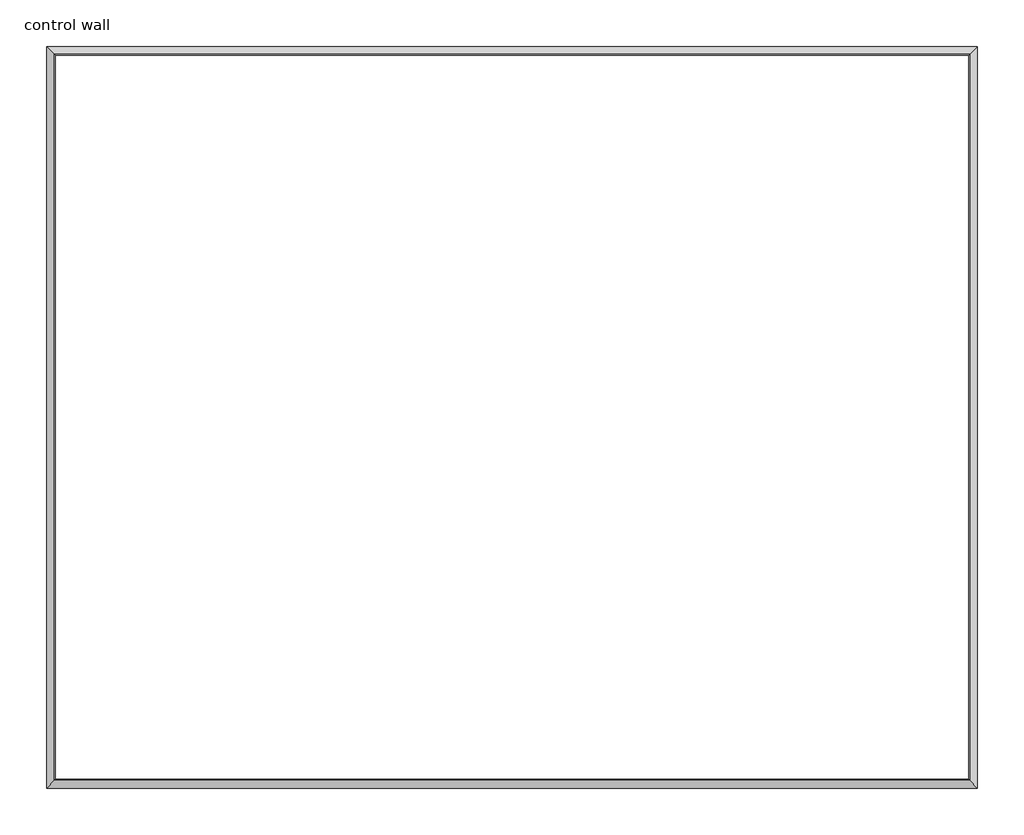
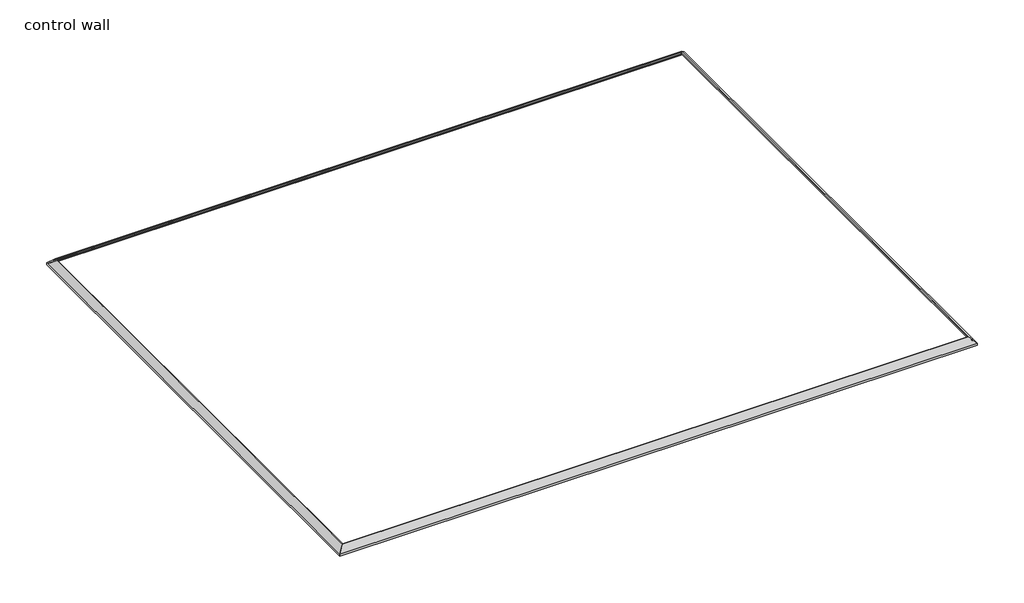
# One storey: 4 proxies.
"""IFC4 building model written with IfcOpenShell, lengths in millimetres."""

from ifc_helpers import new_model, si_unit, frame, origin, place, context, project, spatial, polyline, ellipse_curve, element, save
from ifc_brep_helpers import plane_surface, cylinder_surface, revolved_surface, advanced_brep

model = new_model("IFC4")

# Units and contexts
model_context = context("Model", 3, world=origin())
ifc_project = project(units=[si_unit("LENGTHUNIT", "METRE", prefix="MILLI")], contexts=[model_context])

# Site, building, storey
site = spatial("IfcSite", under=ifc_project)
building = spatial("IfcBuilding", under=site)
storey = spatial("IfcBuildingStorey", under=building, Name="control wall", Elevation=2133.6)

# Proxies
placement = place(None, origin())
element("IfcBuildingElementProxy", 1, Name="Wall Sweeps", at=placement, inside=storey, context=model_context, shape_type="AdvancedBrep", body=[
    advanced_brep(
    [(18315.1984382, -10134.2502894, 2678.1793892), (18315.1984382, -10134.2502894, 2654.3), (18324.1786943, -10143.2305455, 2654.3), (18324.1786943, -10143.2305455, 2663.2802561), (18337.6490785, -10156.7009297, 2676.7506403), (18337.6490785, -10156.7009297, 2683.1006403), (18358.1737583, -10177.2256095, 2703.6253202), (18378.6984382, -10197.7502894, 2724.15), (18388.321747, -10207.3735982, 2724.15), (18388.321747, -10207.3735982, 2743.2), (18380.219049, -10199.2709002, 2743.2), (25960.5984382, -10134.2502894, 2678.1793892), (25895.5778274, -10199.2709002, 2743.2), (25887.4751294, -10207.3735982, 2743.2), (25887.4751294, -10207.3735982, 2724.15), (25897.0984382, -10197.7502894, 2724.15), (25917.623118, -10177.2256095, 2703.6253202), (25938.1477979, -10156.7009297, 2683.1006403), (25938.1477979, -10156.7009297, 2676.7506403), (25951.6181821, -10143.2305455, 2663.2802561), (25951.6181821, -10143.2305455, 2654.3), (25960.5984382, -10134.2502894, 2654.3)],
    [
        (0, 1),
        (1, 2),
        (2, 3),
        (3, 4, ellipse_curve(frame((18337.6490785, -10156.7009297, 2663.2802561), z_axis=(0.7071067811865476, 0.7071067811865476, 0.0), x_axis=(0.7071067811865474, -0.7071067811865476, 0.0)), 19.05, 13.4703842)),
        (4, 5),
        (5, 6, ellipse_curve(frame((18337.6490785, -10156.7009297, 2703.6253202), z_axis=(-0.7071067811865476, -0.7071067811865476, 0.0), x_axis=(-0.7071067811865474, 0.7071067811865476, 0.0)), 29.0262806, 20.5246798)),
        (6, 7, ellipse_curve(frame((18378.6984382, -10197.7502894, 2703.6253202), z_axis=(0.7071067811865476, 0.7071067811865476, 0.0), x_axis=(0.7071067811865474, -0.7071067811865476, 0.0)), 29.0262806, 20.5246798)),
        (7, 8),
        (8, 9),
        (9, 10),
        (10, 0),
        (11, 12),
        (12, 13),
        (13, 14),
        (14, 15),
        (15, 16, ellipse_curve(frame((25897.0984382, -10197.7502894, 2703.6253202), z_axis=(-0.707106781186544, 0.7071067811865511, 0.0), x_axis=(0.7071067811865509, 0.7071067811865441, 0.0)), 29.0262806, 20.5246798)),
        (16, 17, ellipse_curve(frame((25938.1477979, -10156.7009297, 2703.6253202), z_axis=(0.707106781186544, -0.7071067811865511, 0.0), x_axis=(-0.7071067811865509, -0.7071067811865441, 0.0)), 29.0262806, 20.5246798)),
        (17, 18),
        (18, 19, ellipse_curve(frame((25938.1477979, -10156.7009297, 2663.2802561), z_axis=(-0.707106781186544, 0.7071067811865511, 0.0), x_axis=(0.7071067811865509, 0.7071067811865441, 0.0)), 19.05, 13.4703842)),
        (19, 20),
        (20, 21),
        (21, 11),
        (0, 11),
        (21, 1),
        (20, 2),
        (19, 3),
        (18, 4),
        (17, 5),
        (16, 6),
        (15, 7),
        (14, 8),
        (13, 9),
        (12, 10),
    ],
    [
        plane_surface(frame((18315.1984382, -10134.2502894, 2959.1), z_axis=(-0.7071067811865476, -0.7071067811865476, 0.0), x_axis=(0.7071067811865476, -0.7071067811865476, 0.0))),
        plane_surface(frame((25960.5984382, -10134.2502894, 2959.1), z_axis=(0.707106781186544, -0.7071067811865511, 0.0), x_axis=(-0.7071067811865511, -0.707106781186544, 0.0))),
        plane_surface(frame((18315.1984382, -10134.2502894, 2678.1793892), z_axis=(0.0, 1.0, 0.0), x_axis=(1.0, 0.0, 0.0))),
        plane_surface(frame((18315.1984382, -10134.2502894, 2654.3), z_axis=(0.0, 0.0, -1.0), x_axis=(1.0, 0.0, 0.0))),
        plane_surface(frame((18324.1786943, -10143.2305455, 2654.3), z_axis=(0.0, -1.0, 0.0), x_axis=(1.0, 0.0, 0.0))),
        revolved_surface(polyline([(25951.6181821, -10170.1713139, 2663.2802561), (18324.1786943, -10170.1713139, 2663.2802561)]), (18315.1984382, -10156.7009297, 2663.2802561), (1.0, 0.0, 0.0)),
        plane_surface(frame((18337.6490785, -10156.7009297, 2676.7506403), z_axis=(0.0, -1.0, 0.0), x_axis=(1.0, 0.0, 0.0))),
        cylinder_surface(frame((18315.1984382, -10156.7009297, 2703.6253202), z_axis=(-1.0, 0.0, 0.0), x_axis=(0.0, -1.0, 0.0)), 20.5246798),
        revolved_surface(polyline([(25917.62311804488, -10218.274969200002, 2703.6253202), (18358.1737583, -10218.274969200002, 2703.6253202)]), (18315.1984382, -10197.7502894, 2703.6253202), (1.0, 0.0, 0.0)),
        plane_surface(frame((18378.6984382, -10197.7502894, 2724.15), z_axis=(0.0, 0.0, -1.0), x_axis=(1.0, 0.0, 0.0))),
        plane_surface(frame((18388.321747, -10207.3735982, 2724.15), z_axis=(0.0, -1.0, 0.0), x_axis=(1.0, 0.0, 0.0))),
        plane_surface(frame((18388.321747, -10207.3735982, 2743.2), z_axis=(0.0, 0.0, 1.0), x_axis=(1.0, 0.0, 0.0))),
        plane_surface(frame((18380.219049, -10199.2709002, 2743.2), z_axis=(0.0, 0.707106781186547, 0.707106781186548), x_axis=(1.0, 0.0, 0.0))),
    ],
    [
        (0, [[1, 2, 3, 4, 5, 6, 7, 8, 9, 10, 11]]),
        (1, [[12, 13, 14, 15, 16, 17, 18, 19, 20, 21, 22]]),
        (2, [[-1, 23, -22, 24]]),
        (3, [[-2, -24, -21, 25]]),
        (4, [[-3, -25, -20, 26]]),
        (5, [[-4, -26, -19, 27]]),
        (6, [[-5, -27, -18, 28]]),
        (7, [[-6, -28, -17, 29]]),
        (8, [[-7, -29, -16, 30]]),
        (9, [[-8, -30, -15, 31]]),
        (10, [[-9, -31, -14, 32]]),
        (11, [[-10, -32, -13, 33]]),
        (12, [[-11, -33, -12, -23]]),
    ],
),
])
element("IfcBuildingElementProxy", 2, Name="Wall Sweeps", at=placement, inside=storey, context=model_context, shape_type="AdvancedBrep", body=[
    advanced_brep(
    [(18315.1984382, -16230.2502894, 2678.1793892), (18315.1984382, -16230.2502894, 2654.3), (18324.1786943, -16221.2700333, 2654.3), (18324.1786943, -16221.2700333, 2663.2802561), (18337.6490785, -16207.7996491, 2676.7506403), (18337.6490785, -16207.7996491, 2683.1006403), (18358.1737583, -16187.2749692, 2703.6253202), (18378.6984382, -16166.7502894, 2724.15), (18388.321747, -16157.1269806, 2724.15), (18388.321747, -16157.1269806, 2743.2), (18380.219049, -16165.2296786, 2743.2), (18315.1984382, -10134.2502894, 2678.1793892), (18380.219049, -10199.2709002, 2743.2), (18388.321747, -10207.3735982, 2743.2), (18388.321747, -10207.3735982, 2724.15), (18378.6984382, -10197.7502894, 2724.15), (18358.1737583, -10177.2256095, 2703.6253202), (18337.6490785, -10156.7009297, 2683.1006403), (18337.6490785, -10156.7009297, 2676.7506403), (18324.1786943, -10143.2305455, 2663.2802561), (18324.1786943, -10143.2305455, 2654.3), (18315.1984382, -10134.2502894, 2654.3)],
    [
        (0, 1),
        (1, 2),
        (2, 3),
        (3, 4, ellipse_curve(frame((18337.6490785, -16207.7996491, 2663.2802561), z_axis=(-0.7071067811865476, 0.7071067811865476, 0.0), x_axis=(0.7071067811865476, 0.7071067811865474, 0.0)), 19.05, 13.4703842)),
        (4, 5),
        (5, 6, ellipse_curve(frame((18337.6490785, -16207.7996491, 2703.6253202), z_axis=(0.7071067811865476, -0.7071067811865476, 0.0), x_axis=(-0.7071067811865476, -0.7071067811865474, 0.0)), 29.0262806, 20.5246798)),
        (6, 7, ellipse_curve(frame((18378.6984382, -16166.7502894, 2703.6253202), z_axis=(-0.7071067811865476, 0.7071067811865476, 0.0), x_axis=(0.7071067811865476, 0.7071067811865474, 0.0)), 29.0262806, 20.5246798)),
        (7, 8),
        (8, 9),
        (9, 10),
        (10, 0),
        (11, 12),
        (12, 13),
        (13, 14),
        (14, 15),
        (15, 16, ellipse_curve(frame((18378.6984382, -10197.7502894, 2703.6253202), z_axis=(-0.7071067811865476, -0.7071067811865476, 0.0), x_axis=(-0.7071067811865476, 0.7071067811865474, 0.0)), 29.0262806, 20.5246798)),
        (16, 17, ellipse_curve(frame((18337.6490785, -10156.7009297, 2703.6253202), z_axis=(0.7071067811865476, 0.7071067811865476, 0.0), x_axis=(0.7071067811865476, -0.7071067811865474, 0.0)), 29.0262806, 20.5246798)),
        (17, 18),
        (18, 19, ellipse_curve(frame((18337.6490785, -10156.7009297, 2663.2802561), z_axis=(-0.7071067811865476, -0.7071067811865476, 0.0), x_axis=(-0.7071067811865476, 0.7071067811865474, 0.0)), 19.05, 13.4703842)),
        (19, 20),
        (20, 21),
        (21, 11),
        (0, 11),
        (21, 1),
        (20, 2),
        (19, 3),
        (18, 4),
        (17, 5),
        (16, 6),
        (15, 7),
        (14, 8),
        (13, 9),
        (12, 10),
    ],
    [
        plane_surface(frame((18315.1984382, -16230.2502894, 2959.1), z_axis=(0.7071067811865476, -0.7071067811865476, 0.0), x_axis=(0.7071067811865476, 0.7071067811865476, 0.0))),
        plane_surface(frame((18315.1984382, -10134.2502894, 2959.1), z_axis=(0.7071067811865476, 0.7071067811865476, 0.0), x_axis=(0.7071067811865476, -0.7071067811865476, 0.0))),
        plane_surface(frame((18315.1984382, -16230.2502894, 2678.1793892), z_axis=(-1.0, 0.0, 0.0), x_axis=(0.0, 1.0, 0.0))),
        plane_surface(frame((18315.1984382, -16230.2502894, 2654.3), z_axis=(0.0, 0.0, -1.0), x_axis=(0.0, 1.0, 0.0))),
        plane_surface(frame((18324.1786943, -16221.2700333, 2654.3), z_axis=(1.0, 0.0, 0.0), x_axis=(0.0, 1.0, 0.0))),
        revolved_surface(polyline([(18351.1194627, -10143.2305455, 2663.2802561), (18351.1194627, -16221.2700333, 2663.2802561)]), (18337.6490785, -16230.2502894, 2663.2802561), (0.0, 1.0, 0.0)),
        plane_surface(frame((18337.6490785, -16207.7996491, 2676.7506403), z_axis=(1.0, 0.0, 0.0), x_axis=(0.0, 1.0, 0.0))),
        cylinder_surface(frame((18337.6490785, -16230.2502894, 2703.6253202), z_axis=(0.0, -1.0, 0.0), x_axis=(1.0, 0.0, 0.0)), 20.5246798),
        revolved_surface(polyline([(18399.223118, -10177.2256095, 2703.6253202), (18399.223118, -16187.274969244885, 2703.6253202)]), (18378.6984382, -16230.2502894, 2703.6253202), (0.0, 1.0, 0.0)),
        plane_surface(frame((18378.6984382, -16166.7502894, 2724.15), z_axis=(0.0, 0.0, -1.0), x_axis=(0.0, 1.0, 0.0))),
        plane_surface(frame((18388.321747, -16157.1269806, 2724.15), z_axis=(1.0, 0.0, 0.0), x_axis=(0.0, 1.0, 0.0))),
        plane_surface(frame((18388.321747, -16157.1269806, 2743.2), z_axis=(0.0, 0.0, 1.0), x_axis=(0.0, 1.0, 0.0))),
        plane_surface(frame((18380.219049, -16165.2296786, 2743.2), z_axis=(-0.707106781186547, 0.0, 0.707106781186548), x_axis=(0.0, 1.0, 0.0))),
    ],
    [
        (0, [[1, 2, 3, 4, 5, 6, 7, 8, 9, 10, 11]]),
        (1, [[12, 13, 14, 15, 16, 17, 18, 19, 20, 21, 22]]),
        (2, [[-1, 23, -22, 24]]),
        (3, [[-2, -24, -21, 25]]),
        (4, [[-3, -25, -20, 26]]),
        (5, [[-4, -26, -19, 27]]),
        (6, [[-5, -27, -18, 28]]),
        (7, [[-6, -28, -17, 29]]),
        (8, [[-7, -29, -16, 30]]),
        (9, [[-8, -30, -15, 31]]),
        (10, [[-9, -31, -14, 32]]),
        (11, [[-10, -32, -13, 33]]),
        (12, [[-11, -33, -12, -23]]),
    ],
),
])
element("IfcBuildingElementProxy", 3, Name="Wall Sweeps", at=placement, inside=storey, context=model_context, shape_type="AdvancedBrep", body=[
    advanced_brep(
    [(25960.5984382, -10134.2502894, 2678.1793892), (25960.5984382, -10134.2502894, 2654.3), (25951.6181821, -10143.2305455, 2654.3), (25951.6181821, -10143.2305455, 2663.2802561), (25938.1477979, -10156.7009297, 2676.7506403), (25938.1477979, -10156.7009297, 2683.1006403), (25917.623118, -10177.2256095, 2703.6253202), (25897.0984382, -10197.7502894, 2724.15), (25887.4751294, -10207.3735982, 2724.15), (25887.4751294, -10207.3735982, 2743.2), (25895.5778274, -10199.2709002, 2743.2), (25960.5984382, -16230.2502894, 2678.1793892), (25895.5778274, -16165.2296786, 2743.2), (25887.4751294, -16157.1269806, 2743.2), (25887.4751294, -16157.1269806, 2724.15), (25897.0984382, -16166.7502894, 2724.15), (25917.623118, -16187.2749692, 2703.6253202), (25938.1477979, -16207.7996491, 2683.1006403), (25938.1477979, -16207.7996491, 2676.7506403), (25951.6181821, -16221.2700333, 2663.2802561), (25951.6181821, -16221.2700333, 2654.3), (25960.5984382, -16230.2502894, 2654.3)],
    [
        (0, 1),
        (1, 2),
        (2, 3),
        (3, 4, ellipse_curve(frame((25938.1477979, -10156.7009297, 2663.2802561), z_axis=(0.707106781186544, -0.7071067811865511, 0.0), x_axis=(-0.7071067811865511, -0.7071067811865438, 0.0)), 19.05, 13.4703842)),
        (4, 5),
        (5, 6, ellipse_curve(frame((25938.1477979, -10156.7009297, 2703.6253202), z_axis=(-0.707106781186544, 0.7071067811865511, 0.0), x_axis=(0.7071067811865511, 0.7071067811865438, 0.0)), 29.0262806, 20.5246798)),
        (6, 7, ellipse_curve(frame((25897.0984382, -10197.7502894, 2703.6253202), z_axis=(0.707106781186544, -0.7071067811865511, 0.0), x_axis=(-0.7071067811865511, -0.7071067811865438, 0.0)), 29.0262806, 20.5246798)),
        (7, 8),
        (8, 9),
        (9, 10),
        (10, 0),
        (11, 12),
        (12, 13),
        (13, 14),
        (14, 15),
        (15, 16, ellipse_curve(frame((25897.0984382, -16166.7502894, 2703.6253202), z_axis=(0.707106781186544, 0.7071067811865511, 0.0), x_axis=(0.7071067811865511, -0.7071067811865438, 0.0)), 29.0262806, 20.5246798)),
        (16, 17, ellipse_curve(frame((25938.1477979, -16207.7996491, 2703.6253202), z_axis=(-0.707106781186544, -0.7071067811865511, 0.0), x_axis=(-0.7071067811865511, 0.7071067811865438, 0.0)), 29.0262806, 20.5246798)),
        (17, 18),
        (18, 19, ellipse_curve(frame((25938.1477979, -16207.7996491, 2663.2802561), z_axis=(0.707106781186544, 0.7071067811865511, 0.0), x_axis=(0.7071067811865511, -0.7071067811865438, 0.0)), 19.05, 13.4703842)),
        (19, 20),
        (20, 21),
        (21, 11),
        (0, 11),
        (21, 1),
        (20, 2),
        (19, 3),
        (18, 4),
        (17, 5),
        (16, 6),
        (15, 7),
        (14, 8),
        (13, 9),
        (12, 10),
    ],
    [
        plane_surface(frame((25960.5984382, -10134.2502894, 2959.1), z_axis=(-0.707106781186544, 0.7071067811865511, 0.0), x_axis=(-0.7071067811865511, -0.707106781186544, 0.0))),
        plane_surface(frame((25960.5984382, -16230.2502894, 2959.1), z_axis=(-0.707106781186544, -0.7071067811865511, 0.0), x_axis=(-0.7071067811865511, 0.707106781186544, 0.0))),
        plane_surface(frame((25960.5984382, -10134.2502894, 2678.1793892), z_axis=(1.0, 0.0, 0.0), x_axis=(0.0, -1.0, 0.0))),
        plane_surface(frame((25960.5984382, -10134.2502894, 2654.3), z_axis=(0.0, 0.0, -1.0), x_axis=(0.0, -1.0, 0.0))),
        plane_surface(frame((25951.6181821, -10143.2305455, 2654.3), z_axis=(-1.0, 0.0, 0.0), x_axis=(0.0, -1.0, 0.0))),
        revolved_surface(polyline([(25924.6774137, -16221.2700333, 2663.2802561), (25924.6774137, -10143.2305455, 2663.2802561)]), (25938.1477979, -10134.2502894, 2663.2802561), (0.0, -1.0, 0.0)),
        plane_surface(frame((25938.1477979, -10156.7009297, 2676.7506403), z_axis=(-1.0, 0.0, 0.0), x_axis=(0.0, -1.0, 0.0))),
        cylinder_surface(frame((25938.1477979, -10134.2502894, 2703.6253202), z_axis=(0.0, 1.0, 0.0), x_axis=(-1.0, 0.0, 0.0)), 20.5246798),
        revolved_surface(polyline([(25876.573758399998, -16187.274969244885, 2703.6253202), (25876.573758399998, -10177.2256095, 2703.6253202)]), (25897.0984382, -10134.2502894, 2703.6253202), (0.0, -1.0, 0.0)),
        plane_surface(frame((25897.0984382, -10197.7502894, 2724.15), z_axis=(0.0, 0.0, -1.0), x_axis=(0.0, -1.0, 0.0))),
        plane_surface(frame((25887.4751294, -10207.3735982, 2724.15), z_axis=(-1.0, 0.0, 0.0), x_axis=(0.0, -1.0, 0.0))),
        plane_surface(frame((25887.4751294, -10207.3735982, 2743.2), z_axis=(0.0, 0.0, 1.0), x_axis=(0.0, -1.0, 0.0))),
        plane_surface(frame((25895.5778274, -10199.2709002, 2743.2), z_axis=(0.707106781186547, 0.0, 0.707106781186548), x_axis=(0.0, -1.0, 0.0))),
    ],
    [
        (0, [[1, 2, 3, 4, 5, 6, 7, 8, 9, 10, 11]]),
        (1, [[12, 13, 14, 15, 16, 17, 18, 19, 20, 21, 22]]),
        (2, [[-1, 23, -22, 24]]),
        (3, [[-2, -24, -21, 25]]),
        (4, [[-3, -25, -20, 26]]),
        (5, [[-4, -26, -19, 27]]),
        (6, [[-5, -27, -18, 28]]),
        (7, [[-6, -28, -17, 29]]),
        (8, [[-7, -29, -16, 30]]),
        (9, [[-8, -30, -15, 31]]),
        (10, [[-9, -31, -14, 32]]),
        (11, [[-10, -32, -13, 33]]),
        (12, [[-11, -33, -12, -23]]),
    ],
),
])
element("IfcBuildingElementProxy", 4, Name="Wall Sweeps", at=placement, inside=storey, context=model_context, shape_type="AdvancedBrep", body=[
    advanced_brep(
    [(18315.1984382, -16230.2502894, 2678.1793892), (18380.219049, -16165.2296786, 2743.2), (18388.321747, -16157.1269806, 2743.2), (18388.321747, -16157.1269806, 2724.15), (18378.6984382, -16166.7502894, 2724.15), (18358.1737583, -16187.2749692, 2703.6253202), (18337.6490785, -16207.7996491, 2683.1006403), (18337.6490785, -16207.7996491, 2676.7506403), (18324.1786943, -16221.2700333, 2663.2802561), (18324.1786943, -16221.2700333, 2654.3), (18315.1984382, -16230.2502894, 2654.3), (25960.5984382, -16230.2502894, 2678.1793892), (25960.5984382, -16230.2502894, 2654.3), (25951.6181821, -16221.2700333, 2654.3), (25951.6181821, -16221.2700333, 2663.2802561), (25938.1477979, -16207.7996491, 2676.7506403), (25938.1477979, -16207.7996491, 2683.1006403), (25917.623118, -16187.2749692, 2703.6253202), (25897.0984382, -16166.7502894, 2724.15), (25887.4751294, -16157.1269806, 2724.15), (25887.4751294, -16157.1269806, 2743.2), (25895.5778274, -16165.2296786, 2743.2)],
    [
        (0, 1),
        (1, 2),
        (2, 3),
        (3, 4),
        (4, 5, ellipse_curve(frame((18378.6984382, -16166.7502894, 2703.6253202), z_axis=(0.7071067811865476, -0.7071067811865476, 0.0), x_axis=(0.7071067811865475, 0.7071067811865476, 0.0)), 29.0262806, 20.5246798)),
        (5, 6, ellipse_curve(frame((18337.6490785, -16207.7996491, 2703.6253202), z_axis=(-0.7071067811865476, 0.7071067811865476, 0.0), x_axis=(-0.7071067811865475, -0.7071067811865476, 0.0)), 29.0262806, 20.5246798)),
        (6, 7),
        (7, 8, ellipse_curve(frame((18337.6490785, -16207.7996491, 2663.2802561), z_axis=(0.7071067811865476, -0.7071067811865476, 0.0), x_axis=(0.7071067811865475, 0.7071067811865476, 0.0)), 19.05, 13.4703842)),
        (8, 9),
        (9, 10),
        (10, 0),
        (11, 12),
        (12, 13),
        (13, 14),
        (14, 15, ellipse_curve(frame((25938.1477979, -16207.7996491, 2663.2802561), z_axis=(-0.707106781186544, -0.7071067811865511, 0.0), x_axis=(0.707106781186551, -0.7071067811865439, 0.0)), 19.05, 13.4703842)),
        (15, 16),
        (16, 17, ellipse_curve(frame((25938.1477979, -16207.7996491, 2703.6253202), z_axis=(0.707106781186544, 0.7071067811865511, 0.0), x_axis=(-0.707106781186551, 0.7071067811865439, 0.0)), 29.0262806, 20.5246798)),
        (17, 18, ellipse_curve(frame((25897.0984382, -16166.7502894, 2703.6253202), z_axis=(-0.707106781186544, -0.7071067811865511, 0.0), x_axis=(0.707106781186551, -0.7071067811865439, 0.0)), 29.0262806, 20.5246798)),
        (18, 19),
        (19, 20),
        (20, 21),
        (21, 11),
        (0, 11),
        (21, 1),
        (20, 2),
        (19, 3),
        (18, 4),
        (17, 5),
        (16, 6),
        (15, 7),
        (14, 8),
        (13, 9),
        (12, 10),
    ],
    [
        plane_surface(frame((18315.1984382, -16230.2502894, 2349.5), z_axis=(-0.7071067811865476, 0.7071067811865476, 0.0), x_axis=(0.7071067811865476, 0.7071067811865476, 0.0))),
        plane_surface(frame((25960.5984382, -16230.2502894, 2349.5), z_axis=(0.707106781186544, 0.7071067811865511, 0.0), x_axis=(-0.7071067811865511, 0.707106781186544, 0.0))),
        plane_surface(frame((18315.1984382, -16230.2502894, 2678.1793892), z_axis=(0.0, -0.707106781186547, 0.707106781186548), x_axis=(1.0, 0.0, 0.0))),
        plane_surface(frame((18380.219049, -16165.2296786, 2743.2), z_axis=(0.0, 0.0, 1.0), x_axis=(1.0, 0.0, 0.0))),
        plane_surface(frame((18388.321747, -16157.1269806, 2743.2), z_axis=(0.0, 1.0, 0.0), x_axis=(1.0, 0.0, 0.0))),
        plane_surface(frame((18388.321747, -16157.1269806, 2724.15), z_axis=(0.0, 0.0, -1.0), x_axis=(1.0, 0.0, 0.0))),
        revolved_surface(polyline([(25917.62311804488, -16146.2256096, 2703.6253202), (18358.1737583, -16146.2256096, 2703.6253202)]), (18315.1984382, -16166.7502894, 2703.6253202), (1.0, 0.0, 0.0)),
        cylinder_surface(frame((18315.1984382, -16207.7996491, 2703.6253202), z_axis=(-1.0, 0.0, 0.0), x_axis=(0.0, 1.0, 0.0)), 20.5246798),
        plane_surface(frame((18337.6490785, -16207.7996491, 2683.1006403), z_axis=(0.0, 1.0, 0.0), x_axis=(1.0, 0.0, 0.0))),
        revolved_surface(polyline([(25951.6181821, -16194.3292649, 2663.2802561), (18324.1786943, -16194.3292649, 2663.2802561)]), (18315.1984382, -16207.7996491, 2663.2802561), (1.0, 0.0, 0.0)),
        plane_surface(frame((18324.1786943, -16221.2700333, 2663.2802561), z_axis=(0.0, 1.0, 0.0), x_axis=(1.0, 0.0, 0.0))),
        plane_surface(frame((18324.1786943, -16221.2700333, 2654.3), z_axis=(0.0, 0.0, -1.0), x_axis=(1.0, 0.0, 0.0))),
        plane_surface(frame((18315.1984382, -16230.2502894, 2654.3), z_axis=(0.0, -1.0, 0.0), x_axis=(1.0, 0.0, 0.0))),
    ],
    [
        (0, [[1, 2, 3, 4, 5, 6, 7, 8, 9, 10, 11]]),
        (1, [[12, 13, 14, 15, 16, 17, 18, 19, 20, 21, 22]]),
        (2, [[-1, 23, -22, 24]]),
        (3, [[-2, -24, -21, 25]]),
        (4, [[-3, -25, -20, 26]]),
        (5, [[-4, -26, -19, 27]]),
        (6, [[-5, -27, -18, 28]]),
        (7, [[-6, -28, -17, 29]]),
        (8, [[-7, -29, -16, 30]]),
        (9, [[-8, -30, -15, 31]]),
        (10, [[-9, -31, -14, 32]]),
        (11, [[-10, -32, -13, 33]]),
        (12, [[-11, -33, -12, -23]]),
    ],
),
])

save(model, "model.ifc")
